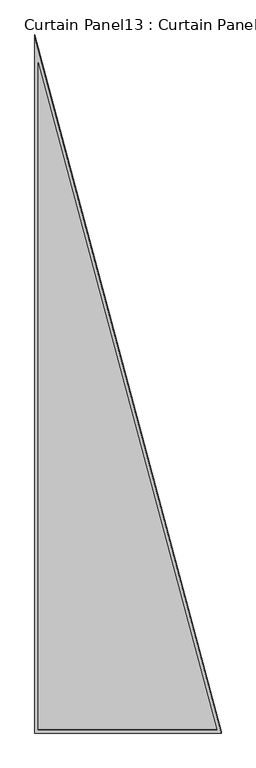
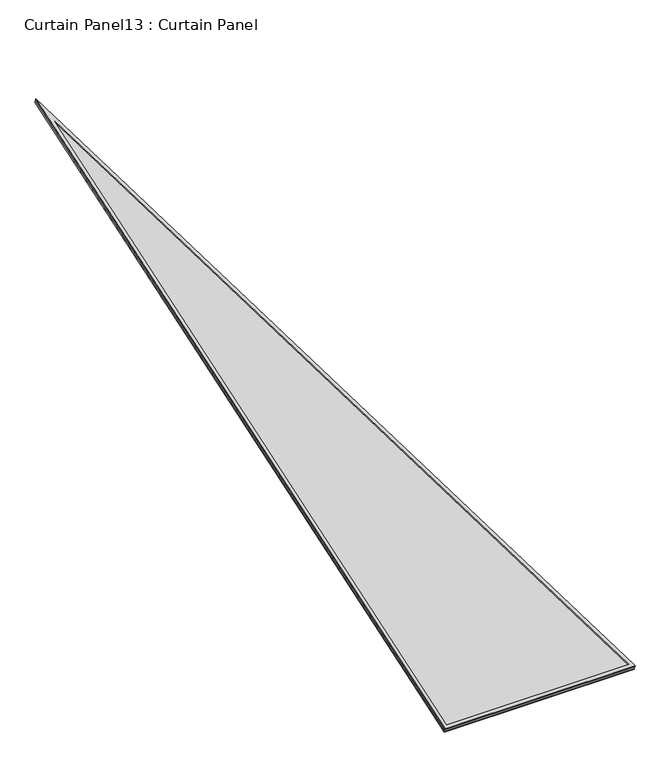
"""IFC4 building model written with IfcOpenShell, lengths in millimetres: plate geometry, Curtain Panel13 : Curtain Panel."""

from ifc_helpers import new_model, si_unit, frame, origin, place, context, project, spatial, polyline, outline, extrude, source, transform, mapped, element, save


def curtain_panel13_curtain_panel_94f04b47(model_context):
    return source(origin(), model_context, "Body", "SweptSolid", [
        extrude(outline(polyline([(879.2994347, -16.6393293), (-16.6393293, -16.6393293), (-16.6393293, 3507.8168737), (879.2994347, -16.6393293)]), holes=[polyline([(857.9010762, 0.0), (0.0, 3374.8230246), (0.0, 0.0), (857.9010762, 0.0)])]), frame((13176.1134081, -5303.0415789, 903.9089601), z_axis=(0.0, -0.3161458239738031, 0.948710608132915), x_axis=(1.0, 0.0, 0.0)), (0.0, 0.0, 1.0), 4.8849226),
        extrude(outline(polyline([(885.6494347, -10.2893293), (-10.2893293, -10.2893293), (-10.2893293, 3514.1668737), (885.6494347, -10.2893293)]), holes=[polyline([(872.4172453, 0.0), (0.0, 3431.9269298), (0.0, 0.0), (872.4172453, 0.0)])]), frame((13169.7634081, -5303.5098167, 885.2284104), z_axis=(0.0, -0.3161458239738063, 0.9487106081329139), x_axis=(1.0, 0.0, 0.0)), (0.0, 0.0, 1.0), 4.7369625),
        extrude(outline(polyline([(147.5921195, 0.0), (1043.5308835, 0.0), (1043.5308835, -3524.456203), (147.5921195, 0.0)])), frame((14203.0049623, -5314.7689835, 886.4694884), z_axis=(0.0, -0.3161458239738058, 0.948710608132914), x_axis=(-1.0, 0.0, 0.0)), (0.0, 0.0, 1.0), 12.8374418),
    ])


if __name__ == "__main__":
    model = new_model("IFC4")
    model_context = context("Model", 3, world=origin())
    ifc_project = project(units=[si_unit("LENGTHUNIT", "METRE", prefix="MILLI")], contexts=[model_context])
    site = spatial("IfcSite", under=ifc_project)
    building = spatial("IfcBuilding", under=site)
    placement = place(None, origin())
    curtain_panel13_curtain_panel_shape = curtain_panel13_curtain_panel_94f04b47(model_context)
    element("IfcPlate", 1, ObjectType="Curtain Panel13 : Curtain Panel", at=placement, inside=building, context=model_context, shape_type="MappedRepresentation", body=[
        mapped(curtain_panel13_curtain_panel_shape, transform((0.0, 0.0, 0.0), x_axis=(1.0, 0.0, 0.0), y_axis=(0.0, 1.0, 0.0), z_axis=(0.0, 0.0, 1.0))),
    ])
    save(model, "model.ifc")
